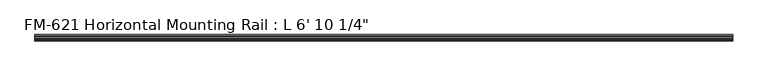
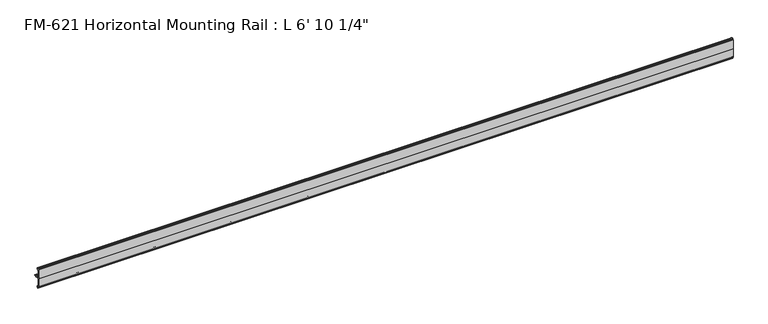
"""IFC4 building model written with IfcOpenShell, lengths in millimetres: proxy geometry."""

from ifc_helpers import new_model, si_unit, point, frame, frame_2d, origin, place, context, project, spatial, polyline, circle_curve, trimmed, segment, composite_curve, outline, extrude, source, transform, mapped, element, save


def proxy_c068e68c(model_context):
    return source(origin(), model_context, "Body", "SweptSolid", [
        extrude(outline(composite_curve([segment(trimmed(circle_curve(frame_2d((-14.5481808, 29.2063136)), 3.048), [point((-13.6400687, 32.1158903))], [point((-11.9462301, 30.7938136))], False, "CARTESIAN"), True, "CONTINUOUS"), segment(trimmed(circle_curve(frame_2d((-14.5481808, 29.2063136)), 3.048), [point((-11.9462301, 30.7938136))], [point((-13.6400687, 26.2967369))], False, "CARTESIAN"), True, "CONTINUOUS"), segment(polyline([(-13.6400687, 26.2967369), (-15.4364113, 25.7360779)]), True, "CONTINUOUS"), segment(trimmed(circle_curve(frame_2d((-15.6245238, 26.2747792)), 0.5706009), [point((-15.4364113, 25.7360779))], [point((-16.1779173, 26.4138515))], False, "CARTESIAN"), True, "CONTINUOUS"), segment(trimmed(circle_curve(frame_2d((-16.9169378, 26.5995734)), 0.762), [point((-16.1779173, 26.4138515))], [point((-16.9376166, 27.3612928))], True, "CARTESIAN"), True, "CONTINUOUS"), segment(trimmed(circle_curve(frame_2d((-16.9545, 26.8535734)), 0.508), [point((-16.9376166, 27.3612928))], [point((-17.4625, 26.8535734))], True, "CARTESIAN"), True, "CONTINUOUS"), segment(polyline([(-17.4625, 26.8535734), (-17.4625, 15.6659614), (-17.9716639, 14.7485418), (-17.9716639, 13.408381), (-17.4625, 12.4909614), (-17.4625, 3.5152595)]), True, "CONTINUOUS"), segment(trimmed(circle_curve(frame_2d((-15.5575, 3.5152595)), 1.905), [point((-17.4625, 3.5152595))], [point((-15.5575, 1.6102595))], True, "CARTESIAN"), True, "CONTINUOUS"), segment(polyline([(-15.5575, 1.6102595), (-6.3855322, 1.6102595)]), True, "CONTINUOUS"), segment(trimmed(circle_curve(frame_2d((-4.7981953, 1.5875)), 1.5875), [point((-6.3855322, 1.6102595))], [point((-3.2106953, 1.5875))], False, "CARTESIAN"), True, "CONTINUOUS"), segment(polyline([(-3.2106953, 1.5875), (0.0, 1.5875), (0.0, 0.0), (-3.2106953, 0.0)]), True, "CONTINUOUS"), segment(trimmed(circle_curve(frame_2d((-4.7981953, 0.0)), 1.5875), [point((-3.2106953, 0.0))], [point((-6.3855322, -0.0227595))], False, "CARTESIAN"), True, "CONTINUOUS"), segment(polyline([(-6.3855322, -0.0227595), (-15.5575, -0.0227595)]), True, "CONTINUOUS"), segment(trimmed(circle_curve(frame_2d((-15.5575, -1.9277595)), 1.905), [point((-15.5575, -0.0227595))], [point((-17.4625, -1.9277595))], True, "CARTESIAN"), True, "CONTINUOUS"), segment(polyline([(-17.4625, -1.9277595), (-17.4625, -10.9034614), (-17.9716639, -11.820881), (-17.9716639, -13.1610418), (-17.4625, -14.0784614), (-17.4625, -25.2660734)]), True, "CONTINUOUS"), segment(trimmed(circle_curve(frame_2d((-16.9545, -25.2660734)), 0.508), [point((-17.4625, -25.2660734))], [point((-16.9376166, -25.7737928))], True, "CARTESIAN"), True, "CONTINUOUS"), segment(trimmed(circle_curve(frame_2d((-16.9169378, -25.0120734)), 0.762), [point((-16.9376166, -25.7737928))], [point((-16.1779173, -24.8263515))], True, "CARTESIAN"), True, "CONTINUOUS"), segment(trimmed(circle_curve(frame_2d((-15.6245238, -24.6872792)), 0.5706009), [point((-16.1779173, -24.8263515))], [point((-15.4364113, -24.1485779))], False, "CARTESIAN"), True, "CONTINUOUS"), segment(polyline([(-15.4364113, -24.1485779), (-13.6400687, -24.7092369)]), True, "CONTINUOUS"), segment(trimmed(circle_curve(frame_2d((-14.5481808, -27.6188136)), 3.048), [point((-13.6400687, -24.7092369))], [point((-11.9462301, -29.2063136))], False, "CARTESIAN"), True, "CONTINUOUS"), segment(trimmed(circle_curve(frame_2d((-14.5481808, -27.6188136)), 3.048), [point((-11.9462301, -29.2063136))], [point((-13.6400687, -30.5283903))], False, "CARTESIAN"), True, "CONTINUOUS"), segment(polyline([(-13.6400687, -30.5283903), (-15.4750158, -31.1010982)]), True, "CONTINUOUS"), segment(trimmed(circle_curve(frame_2d((-15.6853088, -30.6811835)), 0.4696291), [point((-15.4750158, -31.1010982))], [point((-16.1549378, -30.6811835))], False, "CARTESIAN"), True, "CONTINUOUS"), segment(polyline([(-16.1549378, -30.6811835), (-16.1549378, -29.1395734)]), True, "CONTINUOUS"), segment(trimmed(circle_curve(frame_2d((-17.7424378, -29.1395734)), 1.5875), [point((-16.1549378, -29.1395734))], [point((-17.7424378, -27.5520734))], True, "CARTESIAN"), True, "CONTINUOUS"), segment(polyline([(-17.7424378, -27.5520734), (-19.05, -27.5520734), (-19.05, 0.0), (-19.05, 29.1395734), (-17.7424378, 29.1395734)]), True, "CONTINUOUS"), segment(trimmed(circle_curve(frame_2d((-17.7424378, 30.7270734)), 1.5875), [point((-17.7424378, 29.1395734))], [point((-16.1549378, 30.7270734))], True, "CARTESIAN"), True, "CONTINUOUS"), segment(polyline([(-16.1549378, 30.7270734), (-16.1549378, 32.2686835)]), True, "CONTINUOUS"), segment(trimmed(circle_curve(frame_2d((-15.6853088, 32.2686835)), 0.4696291), [point((-16.1549378, 32.2686835))], [point((-15.4750158, 32.6885982))], False, "CARTESIAN"), True, "CONTINUOUS"), segment(polyline([(-15.4750158, 32.6885982), (-13.6400687, 32.1158903)]), True, "CONTINUOUS")], self_intersect=False)), frame((0.0, 0.0, 0.0), z_axis=(1.0, 0.0, 0.0), x_axis=(0.0, 1.0, 0.0)), (0.0, 0.0, 1.0), 2089.15),
    ])


if __name__ == "__main__":
    model = new_model("IFC4")
    model_context = context("Model", 3, world=origin())
    ifc_project = project(units=[si_unit("LENGTHUNIT", "METRE", prefix="MILLI")], contexts=[model_context])
    site = spatial("IfcSite", under=ifc_project)
    building = spatial("IfcBuilding", under=site)
    placement = place(None, origin())
    proxy_shape = proxy_c068e68c(model_context)
    element("IfcBuildingElementProxy", 1, Name="FM-621 Horizontal Mounting Rail : L 6' 10 1/4\"", ObjectType="FM-621 Horizontal Mounting Rail : L 6' 10 1/4\"", at=placement, inside=building, context=model_context, shape_type="MappedRepresentation", body=[
        mapped(proxy_shape, transform((0.0, 0.0, 0.0), x_axis=(1.0, 0.0, 0.0), y_axis=(0.0, 1.0, 0.0), z_axis=(0.0, 0.0, 1.0))),
    ])
    save(model, "model.ifc")
